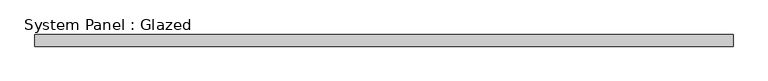
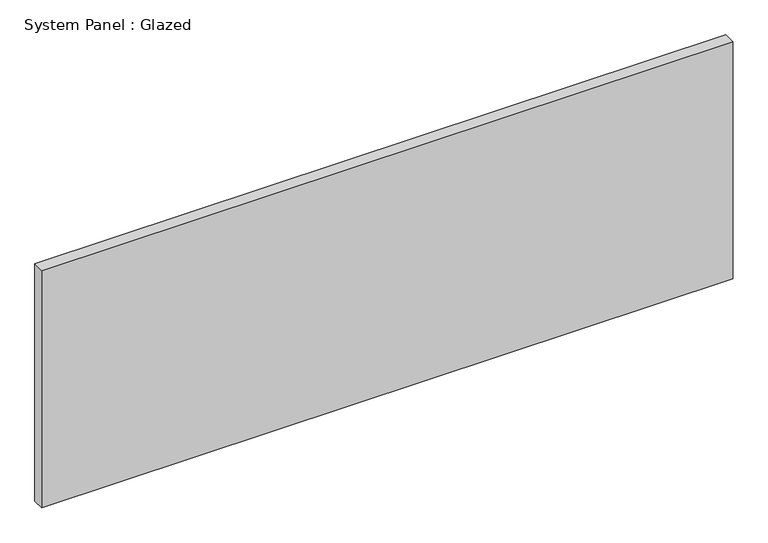
"""IFC4 building model written with IfcOpenShell, lengths in millimetres: plate geometry, System Panel : Glazed."""

from ifc_helpers import new_model, si_unit, origin, origin_with_axes, place, context, project, spatial, polyline, outline, extrude, source, transform, mapped, element, save


def system_panel_glazed_cb7462d5(model_context):
    return source(origin(), model_context, "Body", "SweptSolid", [
        extrude(outline(polyline([(762.0, -12.7), (-762.0, -12.7), (-762.0, 12.7), (762.0, 12.7), (762.0, -12.7)])), origin_with_axes(), (0.0, 0.0, 1.0), 552.45),
    ])


if __name__ == "__main__":
    model = new_model("IFC4")
    model_context = context("Model", 3, world=origin())
    ifc_project = project(units=[si_unit("LENGTHUNIT", "METRE", prefix="MILLI")], contexts=[model_context])
    site = spatial("IfcSite", under=ifc_project)
    building = spatial("IfcBuilding", under=site)
    placement = place(None, origin())
    system_panel_glazed_shape = system_panel_glazed_cb7462d5(model_context)
    element("IfcPlate", 1, ObjectType="System Panel : Glazed", at=placement, inside=building, context=model_context, shape_type="MappedRepresentation", body=[
        mapped(system_panel_glazed_shape, transform((0.0, 0.0, 0.0), x_axis=(1.0, 0.0, 0.0), y_axis=(0.0, 1.0, 0.0), z_axis=(0.0, 0.0, 1.0))),
    ])
    save(model, "model.ifc")
